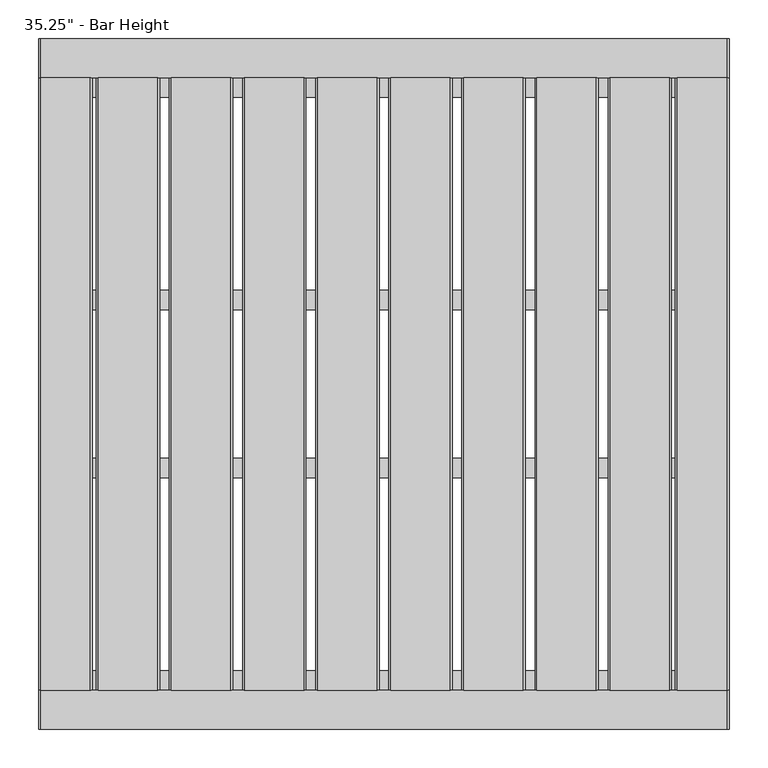
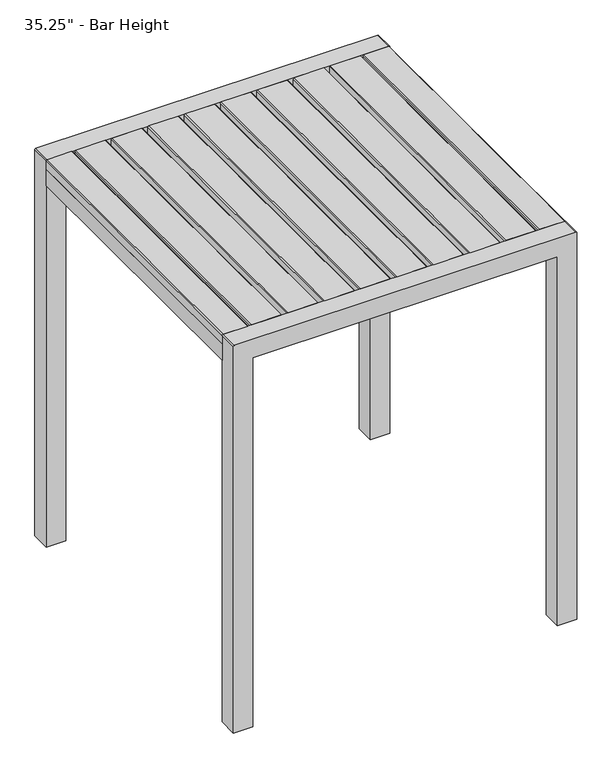
"""IFC4 building model written with IfcOpenShell, lengths in millimetres: furniture geometry."""

from ifc_helpers import new_model, si_unit, point, frame, frame_2d, origin, place, context, project, spatial, polyline, circle_curve, trimmed, segment, composite_curve, outline, extrude, source, transform, mapped, element, save


def furniture_f0e32105(model_context):
    return source(origin(), model_context, "Body", "SweptSolid", [
        extrude(outline(polyline([(1041.4, 277.9967634), (1064.2767182, 277.9967634), (1066.8, 275.4735132), (1066.8, 198.3668886), (1064.2767182, 195.8436384), (1041.4, 195.8436384), (1041.4, 277.9967634)])), frame((0.0, -400.9049408, 0.0), z_axis=(0.0, 1.0, 0.0), x_axis=(0.0, 0.0, 1.0)), (0.0, 0.0, 1.0), 793.75),
        extrude(outline(polyline([(1041.4, 183.228683), (1064.2767182, 183.228683), (1066.8, 180.7054329), (1066.8, 103.5988082), (1064.2767182, 101.075558), (1041.4, 101.075558), (1041.4, 183.228683)])), frame((0.0, -400.9049408, 0.0), z_axis=(0.0, 1.0, 0.0), x_axis=(0.0, 0.0, 1.0)), (0.0, 0.0, 1.0), 793.75),
        extrude(outline(polyline([(1041.4, 88.4606027), (1064.2767182, 88.4606027), (1066.8, 85.9373525), (1066.8, 8.8307278), (1064.2767182, 6.3074777), (1041.4, 6.3074777), (1041.4, 88.4606027)])), frame((0.0, -400.9049408, 0.0), z_axis=(0.0, 1.0, 0.0), x_axis=(0.0, 0.0, 1.0)), (0.0, 0.0, 1.0), 793.75),
        extrude(outline(polyline([(1041.4, -6.3074777), (1064.2767182, -6.3074777), (1066.8, -8.8307278), (1066.8, -85.9373525), (1064.2767182, -88.4606027), (1041.4, -88.4606027), (1041.4, -6.3074777)])), frame((0.0, -400.9049408, 0.0), z_axis=(0.0, 1.0, 0.0), x_axis=(0.0, 0.0, 1.0)), (0.0, 0.0, 1.0), 793.75),
        extrude(outline(polyline([(1041.4, -101.075558), (1064.2767182, -101.075558), (1066.8, -103.5988082), (1066.8, -180.7054329), (1064.2767182, -183.228683), (1041.4, -183.228683), (1041.4, -101.075558)])), frame((0.0, -400.9049408, 0.0), z_axis=(0.0, 1.0, 0.0), x_axis=(0.0, 0.0, 1.0)), (0.0, 0.0, 1.0), 793.75),
        extrude(outline(polyline([(1041.4, -195.8436384), (1064.2767182, -195.8436384), (1066.8, -198.3668886), (1066.8, -275.4735132), (1064.2767182, -277.9967634), (1041.4, -277.9967634), (1041.4, -195.8436384)])), frame((0.0, -400.9049408, 0.0), z_axis=(0.0, 1.0, 0.0), x_axis=(0.0, 0.0, 1.0)), (0.0, 0.0, 1.0), 793.75),
        extrude(outline(polyline([(1041.4, 372.7648438), (1064.2767182, 372.7648438), (1066.8, 370.2415936), (1066.8, 293.1349689), (1064.2767182, 290.6117188), (1041.4, 290.6117188), (1041.4, 372.7648438)])), frame((0.0, -400.9049408, 0.0), z_axis=(0.0, 1.0, 0.0), x_axis=(0.0, 0.0, 1.0)), (0.0, 0.0, 1.0), 793.75),
        extrude(outline(polyline([(1041.4, -290.6117187), (1064.2767182, -290.6117187), (1066.8, -293.1349689), (1066.8, -370.2415936), (1064.2767182, -372.7648437), (1041.4, -372.7648437), (1041.4, -290.6117187)])), frame((0.0, -400.9049408, 0.0), z_axis=(0.0, 1.0, 0.0), x_axis=(0.0, 0.0, 1.0)), (0.0, 0.0, 1.0), 793.75),
        extrude(outline(polyline([(1041.4, -447.675), (1041.4, -377.8249879), (1064.2596996, -377.8249879), (1066.8, -380.3652519), (1066.8, -445.1347481), (1064.2597117, -447.675), (1041.4, -447.675)])), frame((0.0, -400.9049408, 0.0), z_axis=(0.0, 1.0, 0.0), x_axis=(0.0, 0.0, 1.0)), (0.0, 0.0, 1.0), 793.75),
        extrude(outline(polyline([(1041.4, 447.675), (1064.2597117, 447.675), (1066.8, 445.1347481), (1066.8, 380.3652519), (1064.2596996, 377.8249879), (1041.4, 377.8249879), (1041.4, 447.675)])), frame((0.0, -400.9049408, 0.0), z_axis=(0.0, 1.0, 0.0), x_axis=(0.0, 0.0, 1.0)), (0.0, 0.0, 1.0), 793.75),
        extrude(outline(polyline([(396.8749879, -100.3382701), (396.8749879, -125.7382731), (-396.8749879, -125.7382731), (-396.8749879, -100.3382701), (396.8749879, -100.3382701)])), frame((0.0, 0.0, 1016.0), z_axis=(0.0, 0.0, 1.0), x_axis=(1.0, 0.0, 0.0)), (0.0, 0.0, 1.0), 25.4),
        extrude(outline(polyline([(396.8749879, -375.5049347), (396.8749879, -400.9049408), (-396.8749879, -400.9049408), (-396.8749879, -375.5049347), (396.8749879, -375.5049347)])), frame((0.0, 0.0, 1016.0), z_axis=(0.0, 0.0, 1.0), x_axis=(1.0, 0.0, 0.0)), (0.0, 0.0, 1.0), 25.4),
        extrude(outline(polyline([(396.8749879, 392.8450592), (396.8749879, 367.4450532), (-396.8749879, 367.4450532), (-396.8749879, 392.8450592), (396.8749879, 392.8450592)])), frame((0.0, 0.0, 1016.0), z_axis=(0.0, 0.0, 1.0), x_axis=(1.0, 0.0, 0.0)), (0.0, 0.0, 1.0), 25.4),
        extrude(outline(polyline([(396.8749879, 117.6783915), (396.8749879, 92.2783885), (-396.8749879, 92.2783885), (-396.8749879, 117.6783915), (396.8749879, 117.6783915)])), frame((0.0, 0.0, 1016.0), z_axis=(0.0, 0.0, 1.0), x_axis=(1.0, 0.0, 0.0)), (0.0, 0.0, 1.0), 25.4),
        extrude(outline(polyline([(-396.8749879, -400.9049408), (-447.675, -400.9049408), (-447.675, 392.8450592), (-396.8749879, 392.8450592), (-396.8749879, -400.9049408)])), frame((0.0, 0.0, 995.934001), z_axis=(0.0, 0.0, 1.0), x_axis=(1.0, 0.0, 0.0)), (0.0, 0.0, 1.0), 45.465999),
        extrude(outline(polyline([(447.675, -400.9049408), (396.8749879, -400.9049408), (396.8749879, 392.8450592), (447.675, 392.8450592), (447.675, -400.9049408)])), frame((0.0, 0.0, 995.934001), z_axis=(0.0, 0.0, 1.0), x_axis=(1.0, 0.0, 0.0)), (0.0, 0.0, 1.0), 45.465999),
        extrude(outline(composite_curve([segment(polyline([(0.0, -396.8749879), (1016.0, -396.8749879), (1016.0, 396.8749879), (0.0, 396.8749879), (0.0, 447.675), (1064.2203125, 447.675)]), True, "CONTINUOUS"), segment(trimmed(circle_curve(frame_2d((1064.2203125, 445.0953125)), 2.5796875), [point((1064.2203125, 447.675))], [point((1066.8, 445.0953125))], False, "CARTESIAN"), True, "CONTINUOUS"), segment(polyline([(1066.8, 445.0953125), (1066.8, -445.0953125)]), True, "CONTINUOUS"), segment(trimmed(circle_curve(frame_2d((1064.2203125, -445.0953125)), 2.5796875), [point((1066.8, -445.0953125))], [point((1064.2203125, -447.675))], False, "CARTESIAN"), True, "CONTINUOUS"), segment(polyline([(1064.2203125, -447.675), (0.0, -447.675), (0.0, -396.8749879)]), True, "CONTINUOUS")], self_intersect=False)), frame((0.0, 392.8450592, 0.0), z_axis=(0.0, 1.0, 0.0), x_axis=(0.0, 0.0, 1.0)), (0.0, 0.0, 1.0), 50.8),
        extrude(outline(composite_curve([segment(polyline([(0.0, -396.8749879), (1016.0, -396.8749879), (1016.0, 396.8749879), (0.0, 396.8749879), (0.0, 447.675), (1064.2203125, 447.675)]), True, "CONTINUOUS"), segment(trimmed(circle_curve(frame_2d((1064.2203125, 445.0953125)), 2.5796875), [point((1064.2203125, 447.675))], [point((1066.8, 445.0953125))], False, "CARTESIAN"), True, "CONTINUOUS"), segment(polyline([(1066.8, 445.0953125), (1066.8, -445.0953125)]), True, "CONTINUOUS"), segment(trimmed(circle_curve(frame_2d((1064.2203125, -445.0953125)), 2.5796875), [point((1066.8, -445.0953125))], [point((1064.2203125, -447.675))], False, "CARTESIAN"), True, "CONTINUOUS"), segment(polyline([(1064.2203125, -447.675), (0.0, -447.675), (0.0, -396.8749879)]), True, "CONTINUOUS")], self_intersect=False)), frame((0.0, -451.7049408, 0.0), z_axis=(0.0, 1.0, 0.0), x_axis=(0.0, 0.0, 1.0)), (0.0, 0.0, 1.0), 50.8),
    ])


if __name__ == "__main__":
    model = new_model("IFC4")
    model_context = context("Model", 3, world=origin())
    ifc_project = project(units=[si_unit("LENGTHUNIT", "METRE", prefix="MILLI")], contexts=[model_context])
    site = spatial("IfcSite", under=ifc_project)
    building = spatial("IfcBuilding", under=site)
    placement = place(None, origin())
    furniture_shape = furniture_f0e32105(model_context)
    element("IfcFurniture", 1, ObjectType="35.25\" - Bar Height", at=placement, inside=building, context=model_context, shape_type="MappedRepresentation", body=[
        mapped(furniture_shape, transform((0.0, 0.0, 0.0), x_axis=(1.0, 0.0, 0.0), y_axis=(0.0, 1.0, 0.0), z_axis=(0.0, 0.0, 1.0))),
    ])
    save(model, "model.ifc")
